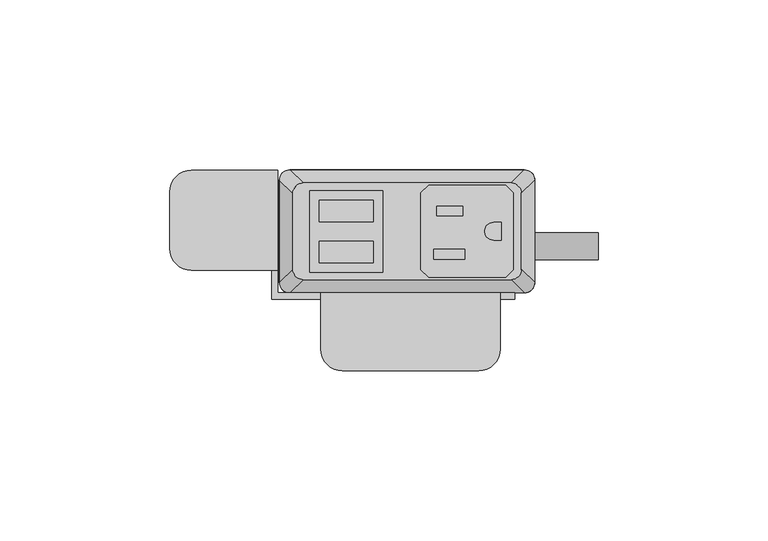
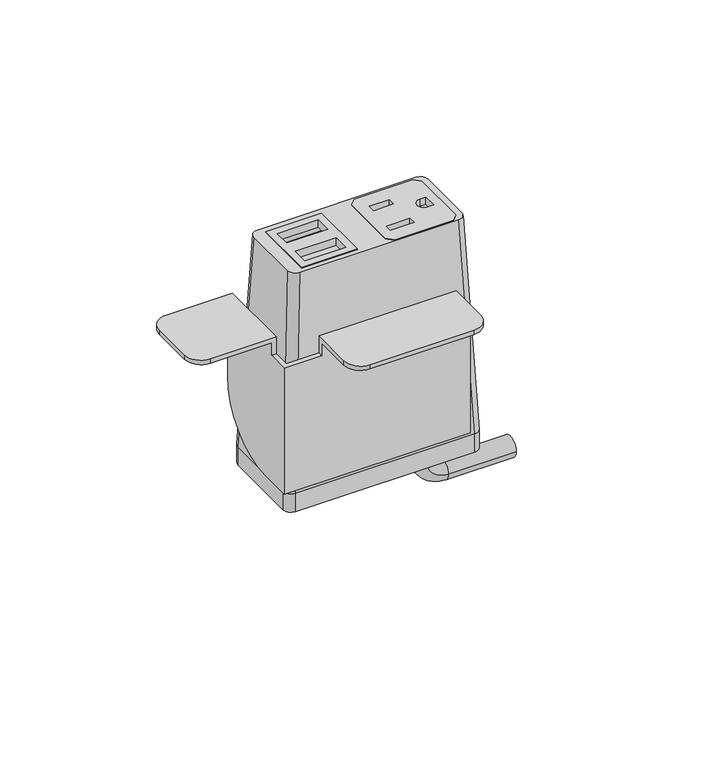
"""IFC4 building model written with IfcOpenShell, lengths in millimetres: furniture geometry."""

from ifc_helpers import new_model, si_unit, point, frame, frame_2d, origin, place, context, project, spatial, polyline, circle_curve, ellipse_curve, trimmed, segment, composite_curve, outline, extrude, source, transform, mapped, element, save
from ifc_brep_helpers import plane_surface, cylinder_surface, revolved_surface, extruded_surface, advanced_brep


def furniture_c840e713(model_context):
    return source(origin(), model_context, "Body", "SolidModel", [
        extrude(outline(polyline([(28.9877496, 31.6867491), (31.2737497, 29.400774), (31.2737497, 6.7950272), (28.9877496, 4.5090526), (6.3817502, 4.5090526), (4.0957501, 6.7950272), (4.0957501, 29.400774), (6.3817502, 31.6867491), (28.9877496, 31.6867491)]), holes=[polyline([(16.3893498, 25.5262103), (8.71855, 25.5262103), (8.71855, 22.6814439), (16.3893498, 22.6814439), (16.3893498, 25.5262103)]), polyline([(17.0497496, 12.7755533), (7.8041498, 12.7755533), (7.8041498, 9.9307858), (17.0497496, 9.9307858), (17.0497496, 12.7755533)]), composite_curve([segment(polyline([(27.7177508, 20.7140722), (25.4427305, 20.7140722)]), True, "CONTINUOUS"), segment(trimmed(circle_curve(frame_2d((25.4427305, 18.0979012)), 2.616171), [point((25.4427305, 20.7140722))], [point((25.4427305, 15.4817301))], True, "CARTESIAN"), True, "CONTINUOUS"), segment(polyline([(25.4427305, 15.4817301), (27.7177508, 15.4817301), (27.7177508, 20.7140722)]), True, "CONTINUOUS")], self_intersect=False)]), frame((0.0, 0.0, 1089.2747365), z_axis=(0.0, 0.0, 1.0), x_axis=(1.0, 0.0, 0.0)), (0.0, 0.0, 1.0), 2.9555086),
        extrude(outline(polyline([(-28.6985163, 30.0736276), (-7.143469, 30.0736276), (-7.143469, 6.0162042), (-28.6985163, 6.0162042), (-28.6985163, 30.0736276)]), holes=[polyline([(-9.9834931, 27.2024139), (-25.8584916, 27.2025547), (-25.8584916, 20.8524858), (-9.9834931, 20.8524858), (-9.9834931, 27.2024139)]), polyline([(-9.9834931, 15.1725012), (-25.8584916, 15.1726408), (-25.8584916, 8.8225725), (-9.9834931, 8.8225725), (-9.9834931, 15.1725012)])]), frame((0.0, 0.0, 1089.2747365), z_axis=(0.0, 0.0, 1.0), x_axis=(1.0, 0.0, 0.0)), (0.0, 0.0, 1.0), 2.9555086),
        advanced_brep(
        [(-30.6070003, 32.3219007, 1092.2170623), (-33.6549997, 29.2739013, 1092.2170623), (-33.6549997, 6.9219002, 1092.2170623), (-30.6070003, 3.8739008, 1092.2170623), (30.6070003, 3.8739008, 1092.2170623), (33.6549997, 6.9219002, 1092.2170623), (33.6549997, 29.2739013, 1092.2170623), (30.6070003, 32.3219007, 1092.2170623), (-7.143469, 30.0736276, 1092.2170623), (-7.143469, 6.0162042, 1092.2170623), (-28.6985163, 6.0162042, 1092.2170623), (-28.6985163, 30.0736276, 1092.2170623), (4.0957501, 29.400774, 1092.2170623), (6.3817502, 31.6867491, 1092.2170623), (28.9877496, 31.6867491, 1092.2170623), (31.2737497, 29.400774, 1092.2170623), (31.2737497, 6.7950272, 1092.2170623), (28.9877496, 4.5090526, 1092.2170623), (6.3817502, 4.5090526, 1092.2170623), (4.0957501, 6.7950272, 1092.2170623), (-34.5440011, 36.1954015, 1005.8702434), (34.5440011, 36.1954015, 1005.8702434), (37.5920005, 33.1474021, 1005.8702434), (37.5920005, 3.0484002, 1005.8702434), (34.5440011, 0.0004009, 1005.8702434), (-34.5440011, 0.0004009, 1005.8702434), (-37.5920005, 3.0484002, 1005.8702434), (-37.5920005, 33.1474021, 1005.8702434), (-7.143469, 30.0736276, 1085.0751211), (-28.6985163, 30.0736276, 1085.0751211), (-28.6985163, 6.0162042, 1085.0751211), (-7.143469, 6.0162042, 1085.0751211), (4.0957501, 29.400774, 1085.0751211), (4.0957501, 6.7950272, 1085.0751211), (6.3817502, 4.5090526, 1085.0751211), (28.9877496, 4.5090526, 1085.0751211), (31.2737497, 6.7950272, 1085.0751211), (31.2737497, 29.400774, 1085.0751211), (28.9877496, 31.6867491, 1085.0751211), (6.3817502, 31.6867491, 1085.0751211)],
        [
            (0, 1, circle_curve(frame((-30.6070003, 29.2739013, 1092.2170623), z_axis=(0.0, 0.0, 1.0), x_axis=(-1.0, 0.0, 0.0)), 3.0479994)),
            (1, 2),
            (2, 3, circle_curve(frame((-30.6070003, 6.9219002, 1092.2170623), z_axis=(0.0, 0.0, 1.0), x_axis=(-1.0, 0.0, 0.0)), 3.0479994)),
            (3, 4),
            (4, 5, circle_curve(frame((30.6070003, 6.9219002, 1092.2170623), z_axis=(0.0, 0.0, 1.0), x_axis=(-1.0, 0.0, 0.0)), 3.0479994)),
            (5, 6),
            (6, 7, circle_curve(frame((30.6070003, 29.2739013, 1092.2170623), z_axis=(0.0, 0.0, 1.0), x_axis=(-1.0, 0.0, 0.0)), 3.0479994)),
            (7, 0),
            (8, 9),
            (9, 10),
            (10, 11),
            (11, 8),
            (12, 13),
            (13, 14),
            (14, 15),
            (15, 16),
            (16, 17),
            (17, 18),
            (18, 19),
            (19, 12),
            (20, 21),
            (21, 22, circle_curve(frame((34.5440011, 33.1474021, 1005.8702434), z_axis=(0.0, 0.0, -1.0), x_axis=(-1.0, 0.0, 0.0)), 3.0479994)),
            (22, 23),
            (23, 24, circle_curve(frame((34.5440011, 3.0484002, 1005.8702434), z_axis=(0.0, 0.0, -1.0), x_axis=(-1.0, 0.0, 0.0)), 3.0479994)),
            (24, 25),
            (25, 26, circle_curve(frame((-34.5440011, 3.0484002, 1005.8702434), z_axis=(0.0, 0.0, -1.0), x_axis=(-1.0, 0.0, 0.0)), 3.0479994)),
            (26, 27),
            (27, 20, circle_curve(frame((-34.5440011, 33.1474021, 1005.8702434), z_axis=(0.0, 0.0, -1.0), x_axis=(-1.0, 0.0, 0.0)), 3.0479994)),
            (0, 20),
            (27, 1),
            (26, 2),
            (25, 3),
            (24, 4),
            (23, 5),
            (22, 6),
            (21, 7),
            (28, 29),
            (29, 30),
            (30, 31),
            (31, 28),
            (32, 33),
            (33, 34),
            (34, 35),
            (35, 36),
            (36, 37),
            (37, 38),
            (38, 39),
            (39, 32),
            (31, 9),
            (8, 28),
            (30, 10),
            (29, 11),
            (39, 13),
            (12, 32),
            (38, 14),
            (37, 15),
            (36, 16),
            (35, 17),
            (34, 18),
            (33, 19),
        ],
        [
            plane_surface(frame((0.0, 18.0979007, 1092.2170623), z_axis=(0.0, 0.0, 1.0), x_axis=(-1.0, 0.0, 0.0))),
            plane_surface(frame((0.0, 18.0979012, 1005.8702434), z_axis=(0.0, 0.0, -1.0), x_axis=(-1.0, 0.0, 0.0))),
            extruded_surface(trimmed(circle_curve(frame((-34.5440011, 33.1474021, 1005.8702434), z_axis=(0.0, 0.0, 1.0), x_axis=(-1.0, 0.0, 0.0)), 3.0479994), [point((-34.5440011, 36.1954015, 1005.8702434))], [point((-37.5920005, 33.1474021, 1005.8702434))], True, "CARTESIAN"), (3.9370008000000034, -3.873500800000002, 86.3468188999999), 86.52327500676441),
            plane_surface(frame((-37.5920005, 18.0979012, 1005.8702434), z_axis=(-0.9989621566211194, 0.0, 0.04554788292425982), x_axis=(0.0, -1.0, 0.0))),
            extruded_surface(trimmed(circle_curve(frame((-34.5440011, 3.0484002, 1005.8702434), z_axis=(0.0, 0.0, 1.0), x_axis=(-1.0, 0.0, 0.0)), 3.0479994), [point((-37.5920005, 3.0484002, 1005.8702434))], [point((-34.5440011, 0.0004009, 1005.8702434))], True, "CARTESIAN"), (3.9370008000000034, 3.8734999999999995, 86.3468188999999), 86.52327497094976),
            plane_surface(frame((0.0, 0.0004009, 1005.8702434), z_axis=(0.0, -0.9989953158490498, 0.044814717578687276), x_axis=(1.0, 0.0, 0.0))),
            extruded_surface(trimmed(circle_curve(frame((34.5440011, 3.0484002, 1005.8702434), z_axis=(0.0, 0.0, 1.0), x_axis=(-1.0, 0.0, 0.0)), 3.0479994), [point((34.5440011, 0.0004009, 1005.8702434))], [point((37.5920005, 3.0484002, 1005.8702434))], True, "CARTESIAN"), (-3.9370008000000034, 3.8734999999999995, 86.3468188999999), 86.52327497094976),
            plane_surface(frame((37.5920005, 18.0979012, 1005.8702434), z_axis=(0.9989621566211194, 0.0, 0.04554788292425977), x_axis=(0.0, 1.0, 0.0))),
            extruded_surface(trimmed(circle_curve(frame((34.5440011, 33.1474021, 1005.8702434), z_axis=(0.0, 0.0, 1.0), x_axis=(-1.0, 0.0, 0.0)), 3.0479994), [point((37.5920005, 33.1474021, 1005.8702434))], [point((34.5440011, 36.1954015, 1005.8702434))], True, "CARTESIAN"), (-3.9370008000000034, -3.873500800000002, 86.3468188999999), 86.52327500676441),
            plane_surface(frame((0.0, 36.1954015, 1005.8702434), z_axis=(0.0, 0.9989953153818162, 0.04481472799410512), x_axis=(-1.0, 0.0, 0.0))),
            plane_surface(frame((-7.143469, 30.0736276, 1085.0751211), z_axis=(0.0, 0.0, 1.0), x_axis=(0.0, -1.0, 0.0))),
            plane_surface(frame((-7.143469, 30.0736276, 1085.0751211), z_axis=(-1.0, 0.0, 0.0), x_axis=(0.0, 0.0, 1.0))),
            plane_surface(frame((-7.143469, 6.0162042, 1085.0751211), z_axis=(0.0, 1.0, 0.0), x_axis=(0.0, 0.0, 1.0))),
            plane_surface(frame((-28.6985163, 6.0162042, 1085.0751211), z_axis=(1.0, 0.0, 0.0), x_axis=(0.0, 0.0, 1.0))),
            plane_surface(frame((-28.6985163, 30.0736276, 1085.0751211), z_axis=(0.0, -1.0, 0.0), x_axis=(0.0, 0.0, 1.0))),
            plane_surface(frame((4.0957501, 29.400774, 1085.0751211), z_axis=(0.7071029176939239, -0.707110644658062, 0.0), x_axis=(0.0, 0.0, 1.0))),
            plane_surface(frame((6.3817502, 31.6867491, 1085.0751211), z_axis=(0.0, -1.0, 0.0), x_axis=(0.0, 0.0, 1.0))),
            plane_surface(frame((28.9877496, 31.6867491, 1085.0751211), z_axis=(-0.7071029176939239, -0.707110644658062, 0.0), x_axis=(0.0, 0.0, 1.0))),
            plane_surface(frame((31.2737497, 29.400774, 1085.0751211), z_axis=(-1.0, 0.0, 0.0), x_axis=(0.0, 0.0, 1.0))),
            plane_surface(frame((31.2737497, 6.7950272, 1085.0751211), z_axis=(-0.7071028298865373, 0.7071107324644781, 0.0), x_axis=(0.0, 0.0, 1.0))),
            plane_surface(frame((28.9877496, 4.5090526, 1085.0751211), z_axis=(0.0, 1.0, 0.0), x_axis=(0.0, 0.0, 1.0))),
            plane_surface(frame((6.3817502, 4.5090526, 1085.0751211), z_axis=(0.7071028298865373, 0.7071107324644781, 0.0), x_axis=(0.0, 0.0, 1.0))),
            plane_surface(frame((4.0957501, 6.7950272, 1085.0751211), z_axis=(1.0, 0.0, 0.0), x_axis=(0.0, 0.0, 1.0))),
        ],
        [
            (0, [[1, 2, 3, 4, 5, 6, 7, 8], [9, 10, 11, 12], [13, 14, 15, 16, 17, 18, 19, 20]]),
            (1, [[21, 22, 23, 24, 25, 26, 27, 28]]),
            (2, [[-1, 29, -28, 30]]),
            (3, [[-2, -30, -27, 31]]),
            (4, [[-3, -31, -26, 32]]),
            (5, [[-4, -32, -25, 33]]),
            (6, [[-5, -33, -24, 34]]),
            (7, [[-6, -34, -23, 35]]),
            (8, [[-7, -35, -22, 36]]),
            (9, [[-8, -36, -21, -29]]),
            (10, [[37, 38, 39, 40]]),
            (10, [[41, 42, 43, 44, 45, 46, 47, 48]]),
            (11, [[-40, 49, -9, 50]]),
            (12, [[-39, 51, -10, -49]]),
            (13, [[-38, 52, -11, -51]]),
            (14, [[-37, -50, -12, -52]]),
            (15, [[-48, 53, -13, 54]]),
            (16, [[-47, 55, -14, -53]]),
            (17, [[-46, 56, -15, -55]]),
            (18, [[-45, 57, -16, -56]]),
            (19, [[-44, 58, -17, -57]]),
            (20, [[-43, 59, -18, -58]]),
            (21, [[-42, 60, -19, -59]]),
            (22, [[-41, -54, -20, -60]]),
        ],
    ),
        advanced_brep(
        [(21.5715504, 17.7128311, 998.3960348), (21.5715504, 9.7137856, 998.3960348), (21.5715504, 17.7128311, 993.5662821), (21.5715504, 9.7137856, 993.5662821), (30.0384415, 9.7137856, 985.099391), (30.0384415, 17.7128311, 985.099391), (56.2588798, 17.7128311, 985.099391), (56.2588798, 9.7137856, 985.099391)],
        [
            (0, 1, circle_curve(frame((21.5715504, 13.7133083, 998.3960348), z_axis=(0.0, 0.0, 1.0), x_axis=(0.0, -1.0, 0.0)), 3.9995228)),
            (1, 0, circle_curve(frame((21.5715504, 13.7133083, 998.3960348), z_axis=(0.0, 0.0, 1.0), x_axis=(0.0, -1.0, 0.0)), 3.9995228)),
            (0, 2),
            (2, 3, circle_curve(frame((21.5715504, 13.7133083, 993.5662821), z_axis=(0.0, 0.0, 1.0), x_axis=(0.0, -1.0, 0.0)), 3.9995228)),
            (3, 1),
            (3, 2, circle_curve(frame((21.5715504, 13.7133083, 993.5662821), z_axis=(0.0, 0.0, 1.0), x_axis=(0.0, -1.0, 0.0)), 3.9995228)),
            (4, 3, circle_curve(frame((30.0384415, 9.7137856, 993.5662821), z_axis=(0.0, 1.0, 0.0), x_axis=(-1.0, 0.0, 0.0)), 8.4668911)),
            (2, 5, circle_curve(frame((30.0384415, 17.7128311, 993.5662821), z_axis=(0.0, -1.0, 0.0), x_axis=(-1.0, 0.0, 0.0)), 8.4668911)),
            (5, 4, circle_curve(frame((30.0384415, 13.7133083, 985.099391), z_axis=(-1.0, 0.0, 0.0), x_axis=(0.0, -1.0, 0.0)), 3.9995228)),
            (4, 5, circle_curve(frame((30.0384415, 13.7133083, 985.099391), z_axis=(-1.0, 0.0, 0.0), x_axis=(0.0, -1.0, 0.0)), 3.9995228)),
            (6, 7, circle_curve(frame((56.2588798, 13.7133083, 985.099391), z_axis=(1.0, 0.0, 0.0), x_axis=(0.0, -1.0, 0.0)), 3.9995228)),
            (7, 6, circle_curve(frame((56.2588798, 13.7133083, 985.099391), z_axis=(1.0, 0.0, 0.0), x_axis=(0.0, -1.0, 0.0)), 3.9995228)),
            (5, 6),
            (7, 4),
        ],
        [
            plane_surface(frame((21.5715504, 0.0, 998.3960348), z_axis=(0.0, 0.0, 1.0), x_axis=(0.0, -1.0, 0.0))),
            cylinder_surface(frame((21.5715504, 13.7133083, 998.3960348), z_axis=(0.0, 0.0, 1.0), x_axis=(0.0, -1.0, 0.0)), 3.9995228),
            revolved_surface(trimmed(ellipse_curve(frame((21.5715504, 13.7133083, 993.5662821), z_axis=(0.0, 0.0, 1.0), x_axis=(0.0, -1.0, 0.0)), 3.9995228, 3.9995228), [point((21.5715504, 17.7128311, 993.5662821))], [point((21.5715504, 9.7137856, 993.5662821))], True, "CARTESIAN"), (30.0384415, 0.0, 993.5662821), (0.0, -1.0, 0.0)),
            revolved_surface(trimmed(ellipse_curve(frame((21.5715504, 13.7133083, 993.5662821), z_axis=(0.0, 0.0, 1.0), x_axis=(0.0, -1.0, 0.0)), 3.9995228, 3.9995228), [point((21.5715504, 9.7137856, 993.5662821))], [point((21.5715504, 17.7128311, 993.5662821))], True, "CARTESIAN"), (30.0384415, 0.0, 993.5662821), (0.0, -1.0, 0.0)),
            plane_surface(frame((56.2588798, 0.0, 985.099391), z_axis=(1.0, 0.0, 0.0), x_axis=(0.0, -1.0, 0.0))),
            cylinder_surface(frame((30.0384415, 13.7133083, 985.099391), z_axis=(-1.0, 0.0, 0.0), x_axis=(0.0, -1.0, 0.0)), 3.9995228),
        ],
        [
            (0, [[1, 2]]),
            (1, [[-1, 3, 4, 5]]),
            (1, [[-2, -5, 6, -3]]),
            (2, [[7, -4, 8, 9]]),
            (3, [[-8, -6, -7, 10]]),
            (4, [[11, 12]]),
            (5, [[-9, 13, -12, 14]]),
            (5, [[-10, -14, -11, -13]]),
        ],
    ),
        extrude(outline(composite_curve([segment(trimmed(circle_curve(frame_2d((34.5440011, 33.1474021)), 3.0479994), [point((34.5440011, 36.1954015))], [point((37.5920005, 33.1474021))], False, "CARTESIAN"), True, "CONTINUOUS"), segment(polyline([(37.5920005, 33.1474021), (37.5920005, 3.0484002)]), True, "CONTINUOUS"), segment(trimmed(circle_curve(frame_2d((34.5440011, 3.0484002)), 3.0479994), [point((37.5920005, 3.0484002))], [point((34.5440011, 0.0004009))], False, "CARTESIAN"), True, "CONTINUOUS"), segment(polyline([(34.5440011, 0.0004009), (-34.5440011, 0.0004009)]), True, "CONTINUOUS"), segment(trimmed(circle_curve(frame_2d((-34.5440011, 3.0484002)), 3.0479994), [point((-34.5440011, 0.0004009))], [point((-37.5920005, 3.0484002))], False, "CARTESIAN"), True, "CONTINUOUS"), segment(polyline([(-37.5920005, 3.0484002), (-37.5920005, 33.1474021)]), True, "CONTINUOUS"), segment(trimmed(circle_curve(frame_2d((-34.5440011, 33.1474021)), 3.0479994), [point((-37.5920005, 33.1474021))], [point((-34.5440011, 36.1954015))], False, "CARTESIAN"), True, "CONTINUOUS"), segment(polyline([(-34.5440011, 36.1954015), (34.5440011, 36.1954015)]), True, "CONTINUOUS")], self_intersect=False)), frame((0.0, 0.0, 998.3960348), z_axis=(0.0, 0.0, 1.0), x_axis=(1.0, 0.0, 0.0)), (0.0, 0.0, 1.0), 7.4742086),
        advanced_brep(
        [(-63.4998651, 6.6265515, 1065.022), (-69.8498653, 12.9765517, 1065.022), (-69.8498653, 29.7151512, 1065.022), (-63.4998645, 36.0651519, 1065.022), (-39.877862, 36.0651519, 1065.022), (-39.877862, 6.6265515, 1065.022), (27.4321373, -16.6144474, 1065.022), (21.0821366, -22.9644481, 1065.022), (-19.0498626, -22.9644481, 1065.022), (-25.3998622, -16.6144485, 1065.022), (-25.3998622, -1.9078486, 1065.022), (27.4321373, -1.9078486, 1065.022), (-63.4998645, 36.0651519, 1066.8), (-69.8498653, 29.7151512, 1066.8), (-69.8498653, 12.9765517, 1066.8), (-63.4998651, 6.6265515, 1066.8), (-38.0998637, 6.6265515, 1066.8), (-38.0998637, 36.0651519, 1066.8), (-25.3998622, 0.0, 1066.8), (-25.3998622, -16.6144485, 1066.8), (-19.0498626, -22.9644481, 1066.8), (21.0821366, -22.9644481, 1066.8), (27.4321373, -16.6144474, 1066.8), (27.4321373, 0.0, 1066.8), (-38.0998637, 36.0651519, 1033.7799997), (-39.877862, 36.0651519, 1033.7799997), (-39.877862, 6.6265515, 1059.9419997), (-38.0998637, 6.6265515, 1059.9419997), (-38.0998637, 0.0, 1059.9419997), (-38.0998637, 0.0, 1008.3800012), (-38.0998637, 10.6651534, 1008.3800012), (27.4321373, -1.9078486, 1059.9419997), (27.4321373, 0.0, 1059.9419997), (31.7501378, 0.0, 1059.9419997), (31.7501378, 0.0, 1008.3800012), (-25.3998622, 0.0, 1059.9419997), (-25.3998622, -1.9078486, 1059.9419997), (-39.877862, 10.6651534, 1008.3800012), (-39.877862, -1.9078486, 1008.3800012), (-39.877862, -1.9078486, 1059.9419997), (31.7501378, -1.9078486, 1008.3800012), (31.7501378, -1.9078486, 1059.9419997)],
        [
            (0, 1, circle_curve(frame((-63.4998651, 12.9765517, 1065.022), z_axis=(0.0, 0.0, -1.0), x_axis=(-1.0, 0.0, 0.0)), 6.3500002)),
            (1, 2),
            (2, 3, circle_curve(frame((-63.4998645, 29.7151512, 1065.022), z_axis=(0.0, 0.0, -1.0), x_axis=(-1.0, 0.0, 0.0)), 6.3500008)),
            (3, 4),
            (4, 5),
            (5, 0),
            (6, 7, circle_curve(frame((21.0821366, -16.6144474, 1065.022), z_axis=(0.0, 0.0, -1.0), x_axis=(-1.0, 0.0, 0.0)), 6.3500008)),
            (7, 8),
            (8, 9, circle_curve(frame((-19.0498626, -16.6144485, 1065.022), z_axis=(0.0, 0.0, -1.0), x_axis=(-1.0, 0.0, 0.0)), 6.3499996)),
            (9, 10),
            (10, 11),
            (11, 6),
            (12, 13, circle_curve(frame((-63.4998645, 29.7151512, 1066.8), z_axis=(0.0, 0.0, 1.0), x_axis=(-1.0, 0.0, 0.0)), 6.3500008)),
            (13, 14),
            (14, 15, circle_curve(frame((-63.4998651, 12.9765517, 1066.8), z_axis=(0.0, 0.0, 1.0), x_axis=(-1.0, 0.0, 0.0)), 6.3500002)),
            (15, 16),
            (16, 17),
            (17, 12),
            (18, 19),
            (19, 20, circle_curve(frame((-19.0498626, -16.6144485, 1066.8), z_axis=(0.0, 0.0, 1.0), x_axis=(-1.0, 0.0, 0.0)), 6.3499996)),
            (20, 21),
            (21, 22, circle_curve(frame((21.0821366, -16.6144474, 1066.8), z_axis=(0.0, 0.0, 1.0), x_axis=(-1.0, 0.0, 0.0)), 6.3500008)),
            (22, 23),
            (23, 18),
            (3, 12),
            (17, 24),
            (24, 25),
            (25, 4),
            (2, 13),
            (1, 14),
            (0, 15),
            (5, 26),
            (26, 27),
            (27, 16),
            (27, 28),
            (28, 29),
            (29, 30),
            (30, 24, circle_curve(frame((-38.0998637, 10.6651534, 1033.7799997), z_axis=(1.0, 0.0, 0.0), x_axis=(0.0, -1.0, 0.0)), 25.3999985)),
            (8, 20),
            (19, 9),
            (7, 21),
            (6, 22),
            (11, 31),
            (31, 32),
            (32, 23),
            (32, 33),
            (33, 34),
            (34, 29),
            (28, 35),
            (35, 18),
            (35, 36),
            (36, 10),
            (25, 37, circle_curve(frame((-39.877862, 10.6651534, 1033.7799997), z_axis=(-1.0, 0.0, 0.0), x_axis=(0.0, -1.0, 0.0)), 25.3999985)),
            (37, 38),
            (38, 39),
            (39, 26),
            (30, 37),
            (34, 40),
            (40, 38),
            (40, 41),
            (41, 31),
            (36, 39),
            (41, 33),
        ],
        [
            plane_surface(frame((-63.4998645, 36.0651519, 1065.022), z_axis=(0.0, 0.0, -1.0), x_axis=(1.0, 0.0, 0.0))),
            plane_surface(frame((-63.4998645, 36.0651519, 1066.8), z_axis=(0.0, 0.0, 1.0), x_axis=(-1.0, 0.0, 0.0))),
            plane_surface(frame((-38.0998637, 36.0651519, 1066.8), z_axis=(0.0, 1.0, 0.0), x_axis=(0.0, 0.0, -1.0))),
            cylinder_surface(frame((-63.4998645, 29.7151512, 1065.022), z_axis=(0.0, 0.0, 1.0), x_axis=(-1.0, 0.0, 0.0)), 6.3500008),
            plane_surface(frame((-69.8498653, 29.7151512, 1066.8), z_axis=(-1.0, 0.0, 0.0), x_axis=(0.0, 0.0, -1.0))),
            cylinder_surface(frame((-63.4998651, 12.9765517, 1065.022), z_axis=(0.0, 0.0, 1.0), x_axis=(-1.0, 0.0, 0.0)), 6.3500002),
            plane_surface(frame((-63.4998651, 6.6265515, 1066.8), z_axis=(0.0, -1.0, 0.0), x_axis=(0.0, 0.0, -1.0))),
            plane_surface(frame((-38.0998637, 6.6265515, 1066.8), z_axis=(1.0, 0.0, 0.0), x_axis=(0.0, 0.0, -1.0))),
            cylinder_surface(frame((-19.0498626, -16.6144485, 1066.8), z_axis=(0.0, 0.0, 1.0), x_axis=(-1.0, 0.0, 0.0)), 6.3499996),
            plane_surface(frame((-19.0498626, -22.9644481, 1066.8), z_axis=(0.0, -1.0, 0.0), x_axis=(0.0, 0.0, -1.0))),
            cylinder_surface(frame((21.0821366, -16.6144474, 1066.8), z_axis=(0.0, 0.0, 1.0), x_axis=(-1.0, 0.0, 0.0)), 6.3500008),
            plane_surface(frame((27.4321373, -16.6144474, 1066.8), z_axis=(1.0, 0.0, 0.0), x_axis=(0.0, 0.0, -1.0))),
            plane_surface(frame((27.4321373, 0.0, 1066.8), z_axis=(0.0, 1.0, 0.0), x_axis=(0.0, 0.0, -1.0))),
            plane_surface(frame((-25.3998622, 0.0, 1066.8), z_axis=(-1.0, 0.0, 0.0), x_axis=(0.0, 0.0, -1.0))),
            plane_surface(frame((-39.877862, 36.0651519, 1033.7799997), z_axis=(-1.0, 0.0, 0.0), x_axis=(0.0, 0.0, -1.0))),
            cylinder_surface(frame((-38.0998637, 10.6651534, 1033.7799997), z_axis=(-1.0, 0.0, 0.0), x_axis=(0.0, -1.0, 0.0)), 25.3999985),
            plane_surface(frame((-39.877862, 10.6651534, 1008.3800012), z_axis=(0.0, 0.0, -1.0), x_axis=(1.0, 0.0, 0.0))),
            plane_surface(frame((-39.877862, -1.9078486, 1008.3800012), z_axis=(0.0, -1.0, 0.0), x_axis=(1.0, 0.0, 0.0))),
            plane_surface(frame((-39.877862, -1.9078486, 1059.9419997), z_axis=(0.0, 0.0, 1.0), x_axis=(1.0, 0.0, 0.0))),
            plane_surface(frame((31.7501378, -1.9078486, 1059.9419997), z_axis=(0.0, 0.0, 1.0), x_axis=(0.0, 1.0, 0.0))),
            plane_surface(frame((31.7501378, -1.9078486, 1008.3800012), z_axis=(1.0, 0.0, 0.0), x_axis=(0.0, 1.0, 0.0))),
        ],
        [
            (0, [[1, 2, 3, 4, 5, 6]]),
            (0, [[7, 8, 9, 10, 11, 12]]),
            (1, [[13, 14, 15, 16, 17, 18]]),
            (1, [[19, 20, 21, 22, 23, 24]]),
            (2, [[25, -18, 26, 27, 28, -4]]),
            (3, [[-3, 29, -13, -25]]),
            (4, [[-2, 30, -14, -29]]),
            (5, [[-1, 31, -15, -30]]),
            (6, [[-31, -6, 32, 33, 34, -16]]),
            (7, [[-17, -34, 35, 36, 37, 38, -26]]),
            (8, [[-9, 39, -20, 40]]),
            (9, [[-8, 41, -21, -39]]),
            (10, [[-7, 42, -22, -41]]),
            (11, [[-42, -12, 43, 44, 45, -23]]),
            (12, [[-24, -45, 46, 47, 48, -36, 49, 50]]),
            (13, [[-40, -19, -50, 51, 52, -10]]),
            (14, [[53, 54, 55, 56, -32, -5, -28]]),
            (15, [[-53, -27, -38, 57]]),
            (16, [[-57, -37, -48, 58, 59, -54]]),
            (17, [[-55, -59, 60, 61, -43, -11, -52, 62]]),
            (18, [[-62, -51, -49, -35, -33, -56]]),
            (19, [[-61, 63, -46, -44]]),
            (20, [[-60, -58, -47, -63]]),
        ],
    ),
    ])


if __name__ == "__main__":
    model = new_model("IFC4")
    model_context = context("Model", 3, world=origin())
    ifc_project = project(units=[si_unit("LENGTHUNIT", "METRE", prefix="MILLI")], contexts=[model_context])
    site = spatial("IfcSite", under=ifc_project)
    building = spatial("IfcBuilding", under=site)
    placement = place(None, origin())
    furniture_shape = furniture_c840e713(model_context)
    element("IfcFurniture", 1, at=placement, inside=building, context=model_context, shape_type="MappedRepresentation", body=[
        mapped(furniture_shape, transform((0.0, 0.0, 0.0), x_axis=(1.0, 0.0, 0.0), y_axis=(0.0, 1.0, 0.0), z_axis=(0.0, 0.0, 1.0))),
    ])
    save(model, "model.ifc")
